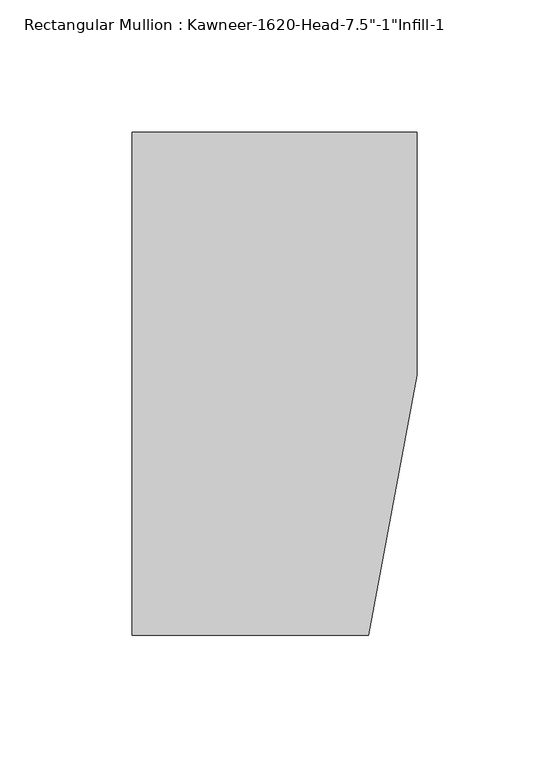
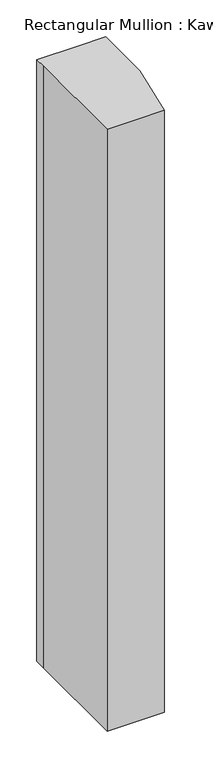
"""IFC4 building model written with IfcOpenShell, lengths in millimetres: member geometry."""

import ifcopenshell
import ifcopenshell.guid

model = None  # the IFC model being written
_history = None  # IfcOwnerHistory: only IFC2X3 demands one
_inside = {}  # id of a spatial element -> (the spatial element, [elements in it])
_under = {}  # id of a project, library or spatial element -> (it, [spatial elements below it])
_declared = {}  # id of a project -> (the project, [libraries it declares])
_typed = {}  # id of a type object -> (the type object, [elements of that type])
_made_of = {}  # id of a material, layer set ... -> (it, [elements and type objects made of it])


def new_model(schema):
    """Start an empty IFC model of exactly this schema.

    Asked for "IFC4X3", IfcOpenShell would pick the latest addendum, in which some entities
    have other attributes; the version numbers below select the first issue.
    IFC2X3 requires an IfcOwnerHistory on every rooted entity: one is made here for all.
    """
    global model, _history
    if schema == "IFC4X3":
        model = ifcopenshell.file(schema_version=(4, 3, 0, 0))
    else:
        model = ifcopenshell.file(schema=schema)
    _inside.clear()
    _under.clear()
    _declared.clear()
    _typed.clear()
    _made_of.clear()
    _history = None
    if model.schema == "IFC2X3":
        org = make("IfcOrganization", Name="unknown")
        user = make(
            "IfcPersonAndOrganization",
            ThePerson=make("IfcPerson", FamilyName="unknown"),
            TheOrganization=org,
        )
        app = make(
            "IfcApplication",
            ApplicationDeveloper=org,
            Version="unknown",
            ApplicationFullName="unknown",
            ApplicationIdentifier="unknown",
        )
        _history = make(
            "IfcOwnerHistory",
            OwningUser=user,
            OwningApplication=app,
            ChangeAction="ADDED",
            CreationDate=0,
        )
    return model


def make(cls, **values):
    """One entity of the class cls with the attributes given. An attribute that is None is left unset."""
    return model.create_entity(
        cls, **{name: value for name, value in values.items() if value is not None}
    )


def rooted(cls, **values):
    """An entity with a GlobalId (a new one), such as an element, a storey or a relation."""
    return make(cls, GlobalId=ifcopenshell.guid.new(), OwnerHistory=_history, **values)


def si_unit(unit_type, name, prefix=None):
    """IfcSIUnit, for example si_unit("LENGTHUNIT", "METRE", prefix="MILLI")."""
    return make("IfcSIUnit", UnitType=unit_type, Prefix=prefix, Name=name)


def assignment(units):
    """IfcUnitAssignment: the units of a project."""
    return None if units is None else make("IfcUnitAssignment", Units=units)


def point(xyz):
    """IfcCartesianPoint."""
    return None if xyz is None else make("IfcCartesianPoint", Coordinates=xyz)


def direction(xyz):
    """IfcDirection."""
    return None if xyz is None else make("IfcDirection", DirectionRatios=xyz)


def frame(location, z_axis=None, x_axis=None):
    """IfcAxis2Placement3D, a coordinate frame: its origin and axes. An axis left out is left unset."""
    return make(
        "IfcAxis2Placement3D",
        Location=point(location),
        Axis=direction(z_axis),
        RefDirection=direction(x_axis),
    )


def origin():
    """The frame at (0, 0, 0) with its axes left unset."""
    return frame((0.0, 0.0, 0.0))


def place(relative_to, where):
    """IfcLocalPlacement: puts the frame where relative to a parent placement (None: the world)."""
    return make(
        "IfcLocalPlacement", PlacementRelTo=relative_to, RelativePlacement=where
    )


def context(
    kind, dimensions, precision=None, world=None, true_north=None, identifier=None
):
    """IfcGeometricRepresentationContext, for example the 3D "Model" context."""
    return make(
        "IfcGeometricRepresentationContext",
        ContextIdentifier=identifier,
        ContextType=kind,
        CoordinateSpaceDimension=dimensions,
        Precision=precision,
        WorldCoordinateSystem=world,
        TrueNorth=true_north,
    )


def project(units=None, contexts=None):
    """IfcProject with its units and contexts."""
    return rooted(
        "IfcProject",
        Name="project",
        RepresentationContexts=contexts,
        UnitsInContext=assignment(units),
    )


def spatial(cls, under=None, at=None, **own):
    """A site, building, storey or space (cls), placed at a placement, below another one or the project."""
    s = rooted(cls, ObjectPlacement=at, **own)
    if under is not None:
        _under.setdefault(under.id(), (under, []))[1].append(s)
    return s


def polyline(points):
    """IfcPolyline through the points."""
    return make("IfcPolyline", Points=[point(p) for p in points])


def outline(outer, holes=None, kind="AREA"):
    """IfcArbitraryClosedProfileDef: a profile drawn as a closed curve; with holes, ...WithVoids."""
    if holes is None:
        return make("IfcArbitraryClosedProfileDef", ProfileType=kind, OuterCurve=outer)
    return make(
        "IfcArbitraryProfileDefWithVoids",
        ProfileType=kind,
        OuterCurve=outer,
        InnerCurves=holes,
    )


def extrude(swept, where, along, depth):
    """IfcExtrudedAreaSolid: the profile swept, set in the frame where, extruded along a direction by depth."""
    return make(
        "IfcExtrudedAreaSolid",
        SweptArea=swept,
        Position=where,
        ExtrudedDirection=direction(along),
        Depth=depth,
    )


def shape(context_of_items, identifier, shape_type, items):
    """IfcShapeRepresentation: the items that make up one representation, for example the "Body"."""
    return make(
        "IfcShapeRepresentation",
        ContextOfItems=context_of_items,
        RepresentationIdentifier=identifier,
        RepresentationType=shape_type,
        Items=items,
    )


def source(mapping_origin, context_of_items, identifier, shape_type, items):
    """IfcRepresentationMap: a shape defined once, which mapped items show again and again."""
    return make(
        "IfcRepresentationMap",
        MappingOrigin=mapping_origin,
        MappedRepresentation=shape(context_of_items, identifier, shape_type, items),
    )


def transform(
    local_origin,
    x_axis=None,
    y_axis=None,
    z_axis=None,
    scale=None,
    scale2=None,
    scale3=None,
    uniform=True,
):
    """IfcCartesianTransformationOperator3D, or its non-uniform kind. x_axis, y_axis, z_axis: its Axis1, 2, 3."""
    if uniform:
        return make(
            "IfcCartesianTransformationOperator3D",
            Axis1=direction(x_axis),
            Axis2=direction(y_axis),
            LocalOrigin=point(local_origin),
            Scale=scale,
            Axis3=direction(z_axis),
        )
    return make(
        "IfcCartesianTransformationOperator3DnonUniform",
        Axis1=direction(x_axis),
        Axis2=direction(y_axis),
        LocalOrigin=point(local_origin),
        Scale=scale,
        Axis3=direction(z_axis),
        Scale2=scale2,
        Scale3=scale3,
    )


def mapped(mapping_source, mapping_target):
    """IfcMappedItem: shows the shape of a source again, moved by a transform."""
    return make(
        "IfcMappedItem", MappingSource=mapping_source, MappingTarget=mapping_target
    )


def made_of(thing, what):
    """Note that an element or type object is made of a material, layer set ...; save() writes the relation."""
    if what is not None:
        _made_of.setdefault(what.id(), (what, []))[1].append(thing)
    return thing


def element(
    cls,
    number,
    at=None,
    inside=None,
    cuts=None,
    type_object=None,
    material=None,
    context=None,
    identifier="Body",
    shape_type=None,
    held_by="IfcProductDefinitionShape",
    body=None,
    shapes=None,
    **own,
):
    """One element of the class cls, such as IfcWall. Its Tag is "e" and its number.

    at: its placement. inside: the storey or other place that contains it. cuts: it is an
    opening in that element (IfcRelVoidsElement). A single representation is given by context,
    identifier, shape_type and body (its items); several are given by shapes. held_by: the class
    of the entity that holds the representations. save() writes the other relations.
    """
    e = rooted(cls, Tag="e%d" % number, ObjectPlacement=at, **own)
    if body is not None:
        shapes = [shape(context, identifier, shape_type, body)]
    if shapes is not None:
        e.Representation = make(held_by, Representations=shapes)
    if inside is not None:
        _inside.setdefault(inside.id(), (inside, []))[1].append(e)
    if cuts is not None:
        rooted(
            "IfcRelVoidsElement", RelatingBuildingElement=cuts, RelatedOpeningElement=e
        )
    if type_object is not None:
        _typed.setdefault(type_object.id(), (type_object, []))[1].append(e)
    return made_of(e, material)


def aggregate(whole, parts):
    """IfcRelAggregates: a whole, such as a stair, and the parts it consists of."""
    return rooted("IfcRelAggregates", RelatingObject=whole, RelatedObjects=parts)


def save(model, path):
    """Write the relations noted so far, then the file.

    IfcRelAggregates (storeys below a building ...), IfcRelContainedInSpatialStructure (elements
    in a storey), IfcRelDefinesByType, IfcRelAssociatesMaterial and IfcRelDeclares: one each for
    every whole, place, type object, material and project.
    """
    for whole, parts in _under.values():
        aggregate(whole, parts)
    for where, things in _inside.values():
        rooted(
            "IfcRelContainedInSpatialStructure",
            RelatedElements=things,
            RelatingStructure=where,
        )
    for kind, things in _typed.values():
        rooted("IfcRelDefinesByType", RelatedObjects=things, RelatingType=kind)
    for what, things in _made_of.values():
        rooted("IfcRelAssociatesMaterial", RelatedObjects=things, RelatingMaterial=what)
    for by, libraries in _declared.values():
        rooted("IfcRelDeclares", RelatingContext=by, RelatedDefinitions=libraries)
    model.write(path)


def member_0c7ea5fa(model_context):
    return source(origin(), model_context, "Body", "SweptSolid", [
        extrude(outline(polyline([(-107.95, 19.9095466), (-107.95, 38.1), (-44.1519366, 38.1), (0.0, 38.1), (0.0, -53.975), (-18.3538271, -152.4), (-107.95, -152.4), (-107.95, 19.9095466)])), frame((0.0, 0.0, -996.8098051), z_axis=(0.0, 0.0, 1.0), x_axis=(1.0, 0.0, 0.0)), (0.0, 0.0, 1.0), 996.8098051),
    ])


if __name__ == "__main__":
    model = new_model("IFC4")
    model_context = context("Model", 3, world=origin())
    ifc_project = project(units=[si_unit("LENGTHUNIT", "METRE", prefix="MILLI")], contexts=[model_context])
    site = spatial("IfcSite", under=ifc_project)
    building = spatial("IfcBuilding", under=site)
    placement = place(None, origin())
    member_shape = member_0c7ea5fa(model_context)
    element("IfcMember", 1, ObjectType="Rectangular Mullion : Kawneer-1620-Head-7.5\"-1\"Infill-1", at=placement, inside=building, context=model_context, shape_type="MappedRepresentation", body=[
        mapped(member_shape, transform((0.0, 0.0, 0.0), x_axis=(1.0, 0.0, 0.0), y_axis=(0.0, 1.0, 0.0), z_axis=(0.0, 0.0, 1.0))),
    ])
    save(model, "model.ifc")
